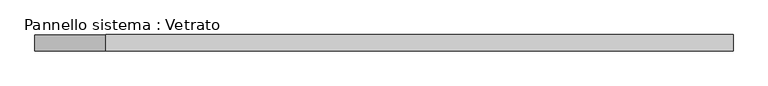
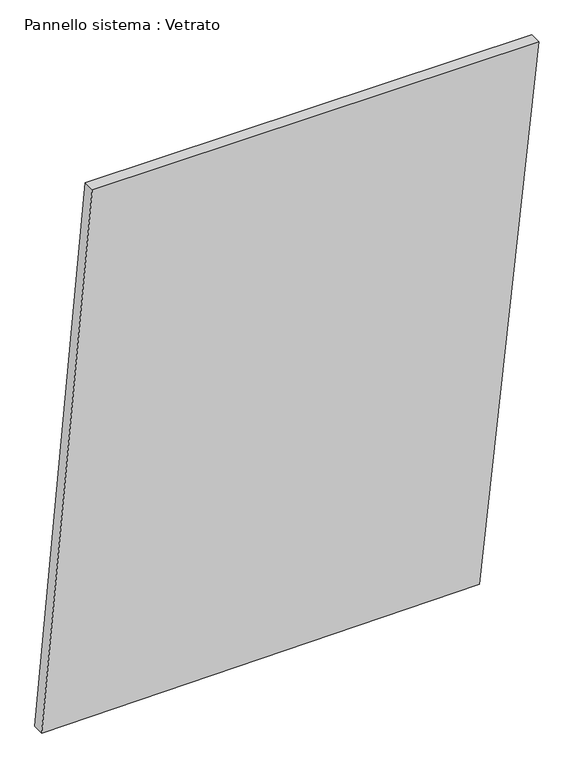
"""IFC4 building model written with IfcOpenShell, lengths in millimetres: plate geometry, Pannello sistema : Vetrato."""

from ifc_helpers import new_model, si_unit, frame, origin, place, context, project, spatial, polyline, outline, extrude, source, transform, mapped, element, save


def pannello_sistema_vetrato_c3c50bc1(model_context):
    return source(origin(), model_context, "Body", "SweptSolid", [
        extrude(outline(polyline([(0.0, -642.3885697), (9.8900339, 489.3328212), (1438.1694312, 642.3885697), (1438.1694343, -511.7761999), (0.0, -642.3885697)])), frame((0.0, -15.0, 0.0), z_axis=(0.0, 1.0, 0.0), x_axis=(0.0, 0.0, 1.0)), (0.0, 0.0, 1.0), 30.0),
    ])


if __name__ == "__main__":
    model = new_model("IFC4")
    model_context = context("Model", 3, world=origin())
    ifc_project = project(units=[si_unit("LENGTHUNIT", "METRE", prefix="MILLI")], contexts=[model_context])
    site = spatial("IfcSite", under=ifc_project)
    building = spatial("IfcBuilding", under=site)
    placement = place(None, origin())
    pannello_sistema_vetrato_shape = pannello_sistema_vetrato_c3c50bc1(model_context)
    element("IfcPlate", 1, ObjectType="Pannello sistema : Vetrato", at=placement, inside=building, context=model_context, shape_type="MappedRepresentation", body=[
        mapped(pannello_sistema_vetrato_shape, transform((0.0, 0.0, 0.0), x_axis=(1.0, 0.0, 0.0), y_axis=(0.0, 1.0, 0.0), z_axis=(0.0, 0.0, 1.0))),
    ])
    save(model, "model.ifc")
